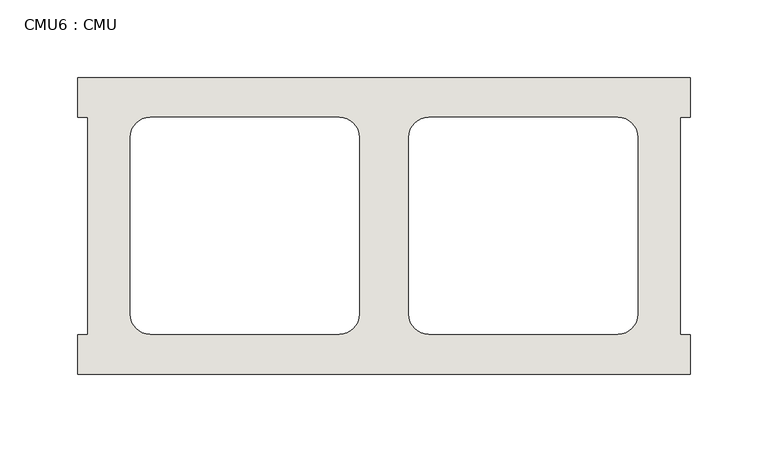
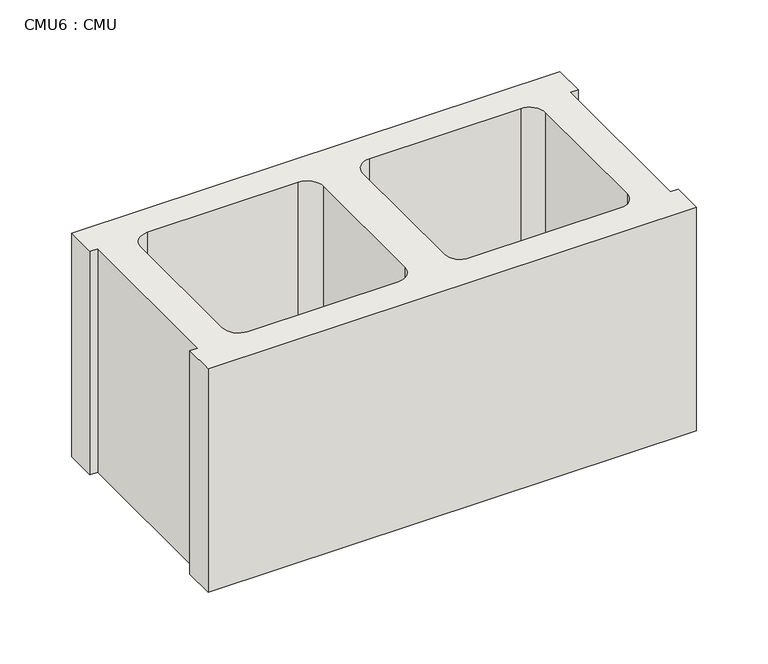
"""IFC4 building model written with IfcOpenShell, lengths in millimetres: wall geometry, CMU6 : CMU."""

from ifc_helpers import new_model, si_unit, point, frame, frame_2d, origin, place, context, project, spatial, polyline, circle_curve, trimmed, segment, composite_curve, outline, extrude, source, transform, mapped, element, save


def cmu6_cmu_cf572841(model_context):
    return source(origin(), model_context, "Body", "SweptSolid", [
        extrude(outline(polyline([(-613.2785982, 3347.4652891), (-219.5785982, 3347.4652891), (-219.5785982, 3322.0652891), (-225.9285982, 3322.0652891), (-225.9285982, 3182.3652891), (-219.5785982, 3182.3652891), (-219.5785982, 3156.9652891), (-613.2785982, 3156.9652891), (-613.2785982, 3182.3652891), (-606.9285982, 3182.3652891), (-606.9285982, 3322.0652891), (-613.2785982, 3322.0652891), (-613.2785982, 3347.4652891)]), holes=[composite_curve([segment(polyline([(-445.1105995, 3322.0652891), (-566.8272496, 3322.0652891)]), True, "CONTINUOUS"), segment(trimmed(circle_curve(frame_2d((-566.8272496, 3309.3652891)), 12.7), [point((-566.8272496, 3322.0652891))], [point((-579.5272496, 3309.3652891))], True, "CARTESIAN"), True, "CONTINUOUS"), segment(polyline([(-579.5272496, 3309.3652891), (-579.5272496, 3195.2994494)]), True, "CONTINUOUS"), segment(trimmed(circle_curve(frame_2d((-566.8272496, 3195.2994494)), 12.7), [point((-579.5272496, 3195.2994494))], [point((-566.8272496, 3182.5994494))], True, "CARTESIAN"), True, "CONTINUOUS"), segment(polyline([(-566.8272496, 3182.5994494), (-445.1105995, 3182.5994494)]), True, "CONTINUOUS"), segment(trimmed(circle_curve(frame_2d((-445.1105995, 3195.2994494)), 12.7), [point((-445.1105995, 3182.5994494))], [point((-432.4105995, 3195.2994494))], True, "CARTESIAN"), True, "CONTINUOUS"), segment(polyline([(-432.4105995, 3195.2994494), (-432.4105995, 3309.3652891)]), True, "CONTINUOUS"), segment(trimmed(circle_curve(frame_2d((-445.1105995, 3309.3652891)), 12.7), [point((-432.4105995, 3309.3652891))], [point((-445.1105995, 3322.0652891))], True, "CARTESIAN"), True, "CONTINUOUS")], self_intersect=False), composite_curve([segment(trimmed(circle_curve(frame_2d((-387.7465969, 3309.3652891)), 12.7), [point((-387.7465969, 3322.0652891))], [point((-400.4465969, 3309.3652891))], True, "CARTESIAN"), True, "CONTINUOUS"), segment(polyline([(-400.4465969, 3309.3652891), (-400.4465969, 3195.2994494)]), True, "CONTINUOUS"), segment(trimmed(circle_curve(frame_2d((-387.7465969, 3195.2994494)), 12.7), [point((-400.4465969, 3195.2994494))], [point((-387.7465969, 3182.5994494))], True, "CARTESIAN"), True, "CONTINUOUS"), segment(polyline([(-387.7465969, 3182.5994494), (-266.0299468, 3182.5994494)]), True, "CONTINUOUS"), segment(trimmed(circle_curve(frame_2d((-266.0299468, 3195.2994494)), 12.7), [point((-266.0299468, 3182.5994494))], [point((-253.3299468, 3195.2994494))], True, "CARTESIAN"), True, "CONTINUOUS"), segment(polyline([(-253.3299468, 3195.2994494), (-253.3299468, 3309.3652891)]), True, "CONTINUOUS"), segment(trimmed(circle_curve(frame_2d((-266.0299468, 3309.3652891)), 12.7), [point((-253.3299468, 3309.3652891))], [point((-266.0299468, 3322.0652891))], True, "CARTESIAN"), True, "CONTINUOUS"), segment(polyline([(-266.0299468, 3322.0652891), (-387.7465969, 3322.0652891)]), True, "CONTINUOUS")], self_intersect=False)]), frame((0.0, 0.0, 203.2), z_axis=(0.0, 0.0, 1.0), x_axis=(1.0, 0.0, 0.0)), (0.0, 0.0, 1.0), 190.5),
    ])


if __name__ == "__main__":
    model = new_model("IFC4")
    model_context = context("Model", 3, world=origin())
    ifc_project = project(units=[si_unit("LENGTHUNIT", "METRE", prefix="MILLI")], contexts=[model_context])
    site = spatial("IfcSite", under=ifc_project)
    building = spatial("IfcBuilding", under=site)
    placement = place(None, origin())
    cmu6_cmu_shape = cmu6_cmu_cf572841(model_context)
    element("IfcWall", 1, ObjectType="CMU6 : CMU", at=placement, inside=building, context=model_context, shape_type="MappedRepresentation", body=[
        mapped(cmu6_cmu_shape, transform((0.0, 0.0, 0.0), x_axis=(1.0, 0.0, 0.0), y_axis=(0.0, 1.0, 0.0), z_axis=(0.0, 0.0, 1.0))),
    ])
    save(model, "model.ifc")
